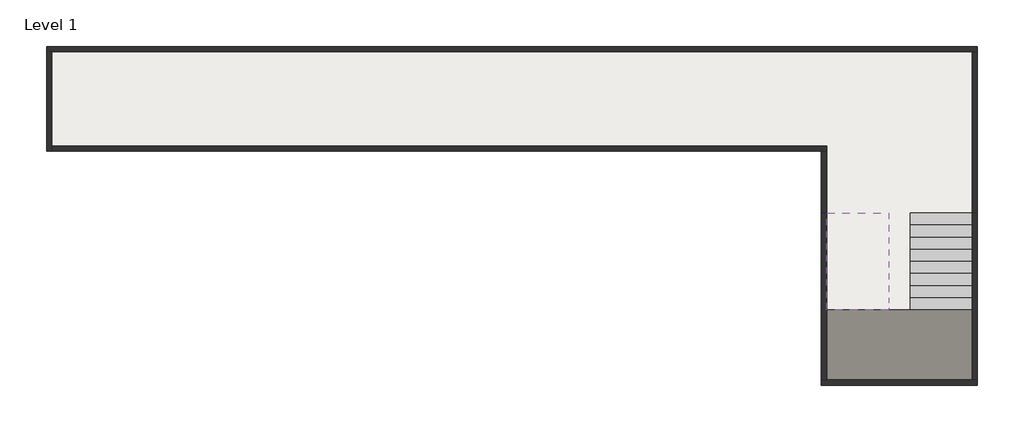
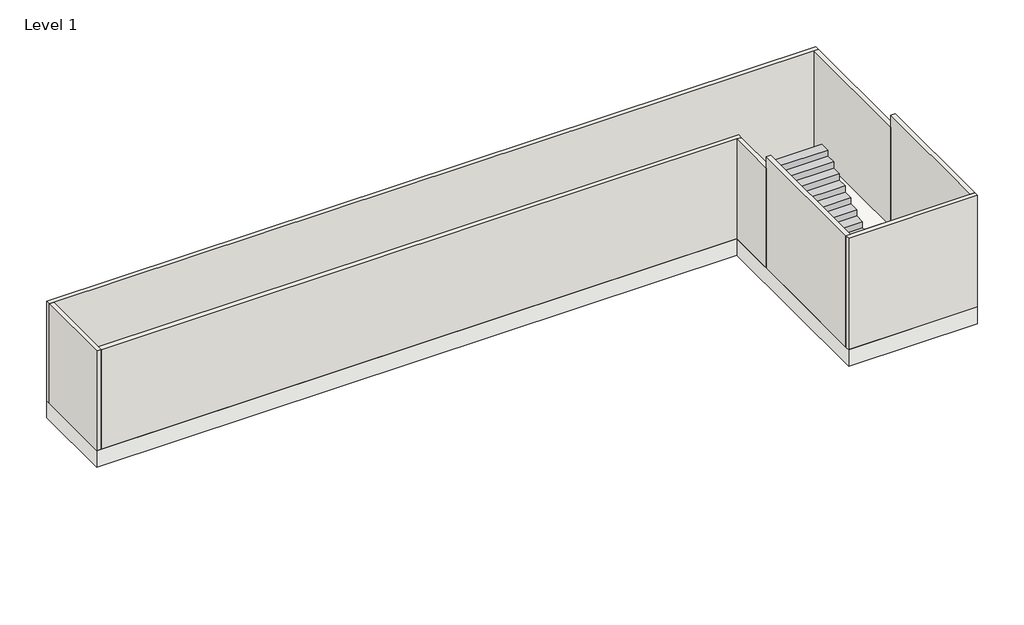
# One storey: 8 walls, 2 slabs, 2 stair flights.
"""IFC4 building model written with IfcOpenShell, lengths in millimetres."""

from ifc_helpers import new_model, si_unit, frame, origin, origin_with_axes, place, context, project, spatial, polyline, outline, extrude, faceted_brep, element, save

model = new_model("IFC4")

# Units and contexts
model_context = context("Model", 3, world=origin())
ifc_project = project(units=[si_unit("LENGTHUNIT", "METRE", prefix="MILLI")], contexts=[model_context])

# Site, building, storey
site = spatial("IfcSite", under=ifc_project)
building = spatial("IfcBuilding", under=site)
storey = spatial("IfcBuildingStorey", under=building, Name="Level 1", Elevation=0.0)

# Slabs
placement = place(None, origin())
element("IfcSlab", 1, at=placement, inside=storey, context=model_context, shape_type="SweptSolid", body=[
    extrude(outline(polyline([(861.159601, 6454.4843458), (861.159601, 8404.4843458), (18161.159601, 8404.4843458), (18161.159601, 2104.4843458), (15261.159601, 2104.4843458), (15261.159601, 6454.4843458), (861.159601, 6454.4843458)])), frame((0.0, 0.0, -400.0), z_axis=(0.0, 0.0, 1.0), x_axis=(1.0, 0.0, 0.0)), (0.0, 0.0, 1.0), 400.0),
])
element("IfcSlab", 2, at=placement, inside=storey, context=model_context, shape_type="Brep", body=[
    faceted_brep([(18061.159601, 3504.4843458, 1325.0), (16911.159601, 3504.4843458, 1325.0), (16511.159601, 3504.4843458, 1325.0), (15361.159601, 3504.4843458, 1325.0), (15361.159601, 2204.4843458, 1325.0), (18061.159601, 2204.4843458, 1325.0), (18061.159601, 3242.2231186, 1325.0), (18061.159601, 3504.4843458, 1177.7777778), (18061.159601, 3504.4843458, 1028.3969748), (16911.159601, 3504.4843458, 1028.3969748), (16911.159601, 3504.4843458, 1177.7777778), (16911.159601, 3504.4843458, 1200.0), (16511.159601, 3504.4843458, 1200.0), (15361.159601, 3504.4843458, 1200.0), (15361.159601, 2204.4843458, 1200.0), (18061.159601, 2204.4843458, 1200.0), (18061.159601, 3242.2231186, 1200.0), (16911.159601, 3242.2231186, 1200.0)], [[[0, 1, 2, 3, 4, 5, 6]], [[1, 0, 7, 8, 9, 10, 11]], [[2, 1, 11, 12]], [[3, 2, 12, 13]], [[4, 3, 13, 14]], [[5, 4, 14, 15]], [[8, 7, 0, 6, 5, 15, 16]], [[17, 16, 15, 14, 13, 12, 11]], [[16, 17, 9, 8]], [[17, 11, 10, 9]]]),
])

# Stair flights
element("IfcStairFlight", 3, at=placement, inside=storey, context=model_context, shape_type="Brep", body=[
    faceted_brep([(18061.159601, 5079.4843458, 147.2222222), (18061.159601, 5304.4843458, 147.2222222), (16911.159601, 5304.4843458, 147.2222222), (16911.159601, 5079.4843458, 147.2222222), (18061.159601, 5079.4843458, 0.0), (18061.159601, 5304.4843458, 0.0), (16911.159601, 5304.4843458, 0.0), (16911.159601, 5079.4843458, 0.0), (18061.159601, 4854.4843458, 294.4444444), (18061.159601, 5079.4843458, 294.4444444), (16911.159601, 5079.4843458, 294.4444444), (16911.159601, 4854.4843458, 294.4444444), (18061.159601, 4854.4843458, 145.0636415), (18061.159601, 5076.1853828, 0.0), (16911.159601, 5076.1853828, 0.0), (16911.159601, 4854.4843458, 145.0636415), (18061.159601, 4629.4843458, 441.6666667), (18061.159601, 4854.4843458, 441.6666667), (16911.159601, 4854.4843458, 441.6666667), (16911.159601, 4629.4843458, 441.6666667), (18061.159601, 4629.4843458, 292.2858637), (16911.159601, 4629.4843458, 292.2858637), (18061.159601, 4404.4843458, 588.8888889), (18061.159601, 4629.4843458, 588.8888889), (16911.159601, 4629.4843458, 588.8888889), (16911.159601, 4404.4843458, 588.8888889), (18061.159601, 4404.4843458, 439.5080859), (16911.159601, 4404.4843458, 439.5080859), (18061.159601, 4179.4843458, 736.1111111), (18061.159601, 4404.4843458, 736.1111111), (16911.159601, 4404.4843458, 736.1111111), (16911.159601, 4179.4843458, 736.1111111), (18061.159601, 4179.4843458, 586.7303081), (16911.159601, 4179.4843458, 586.7303081), (18061.159601, 3954.4843458, 883.3333333), (18061.159601, 4179.4843458, 883.3333333), (16911.159601, 4179.4843458, 883.3333333), (16911.159601, 3954.4843458, 883.3333333), (18061.159601, 3954.4843458, 733.9525304), (16911.159601, 3954.4843458, 733.9525304), (18061.159601, 3729.4843458, 1030.5555556), (18061.159601, 3954.4843458, 1030.5555556), (16911.159601, 3954.4843458, 1030.5555556), (16911.159601, 3729.4843458, 1030.5555556), (18061.159601, 3729.4843458, 881.1747526), (16911.159601, 3729.4843458, 881.1747526), (18061.159601, 3504.4843458, 1177.7777778), (18061.159601, 3729.4843458, 1177.7777778), (16911.159601, 3729.4843458, 1177.7777778), (16911.159601, 3504.4843458, 1177.7777778), (18061.159601, 3504.4843458, 1028.3969748), (16911.159601, 3504.4843458, 1028.3969748)], [[[0, 1, 2, 3]], [[1, 0, 4, 5]], [[2, 1, 5, 6]], [[3, 2, 6, 7]], [[8, 9, 10, 11]], [[4, 0, 9, 8, 12, 13]], [[0, 3, 10, 9]], [[3, 7, 14, 15, 11, 10]], [[16, 17, 18, 19]], [[17, 16, 20, 12, 8]], [[8, 11, 18, 17]], [[19, 18, 11, 15, 21]], [[22, 23, 24, 25]], [[23, 22, 26, 20, 16]], [[16, 19, 24, 23]], [[25, 24, 19, 21, 27]], [[28, 29, 30, 31]], [[29, 28, 32, 26, 22]], [[22, 25, 30, 29]], [[31, 30, 25, 27, 33]], [[34, 35, 36, 37]], [[35, 34, 38, 32, 28]], [[28, 31, 36, 35]], [[37, 36, 31, 33, 39]], [[40, 41, 42, 43]], [[41, 40, 44, 38, 34]], [[34, 37, 42, 41]], [[43, 42, 37, 39, 45]], [[46, 47, 48, 49]], [[47, 46, 50, 44, 40]], [[40, 43, 48, 47]], [[49, 48, 43, 45, 51]], [[46, 49, 51, 50]], [[5, 4, 13, 14, 7, 6]], [[14, 13, 12, 20, 26, 32, 38, 44, 50, 51, 45, 39, 33, 27, 21, 15]]]),
])
element("IfcStairFlight", 4, at=placement, inside=storey, context=model_context, shape_type="Brep", body=[
    faceted_brep([(15361.159601, 3504.4843458, 1472.2222222), (16511.159601, 3504.4843458, 1472.2222222), (16511.159601, 3541.745573, 1472.2222222), (16511.159601, 3729.4843458, 1472.2222222), (15361.159601, 3729.4843458, 1472.2222222), (15361.159601, 3541.745573, 1472.2222222), (15361.159601, 3729.4843458, 1322.8414193), (15361.159601, 3541.745573, 1200.0), (15361.159601, 3504.4843458, 1200.0), (15361.159601, 3504.4843458, 1325.0), (16511.159601, 3504.4843458, 1200.0), (16511.159601, 3541.745573, 1200.0), (16511.159601, 3729.4843458, 1322.8414193), (15361.159601, 3954.4843458, 1619.4444444), (15361.159601, 3729.4843458, 1619.4444444), (16511.159601, 3729.4843458, 1619.4444444), (16511.159601, 3954.4843458, 1619.4444444), (15361.159601, 3954.4843458, 1470.0636415), (16511.159601, 3954.4843458, 1470.0636415), (15361.159601, 4179.4843458, 1766.6666667), (15361.159601, 3954.4843458, 1766.6666667), (16511.159601, 3954.4843458, 1766.6666667), (16511.159601, 4179.4843458, 1766.6666667), (15361.159601, 4179.4843458, 1617.2858637), (16511.159601, 4179.4843458, 1617.2858637), (15361.159601, 4404.4843458, 1913.8888889), (15361.159601, 4179.4843458, 1913.8888889), (16511.159601, 4179.4843458, 1913.8888889), (16511.159601, 4404.4843458, 1913.8888889), (15361.159601, 4404.4843458, 1764.5080859), (16511.159601, 4404.4843458, 1764.5080859), (15361.159601, 4629.4843458, 2061.1111111), (15361.159601, 4404.4843458, 2061.1111111), (16511.159601, 4404.4843458, 2061.1111111), (16511.159601, 4629.4843458, 2061.1111111), (15361.159601, 4629.4843458, 1911.7303081), (16511.159601, 4629.4843458, 1911.7303081), (15361.159601, 4854.4843458, 2208.3333333), (15361.159601, 4629.4843458, 2208.3333333), (16511.159601, 4629.4843458, 2208.3333333), (16511.159601, 4854.4843458, 2208.3333333), (15361.159601, 4854.4843458, 2058.9525304), (16511.159601, 4854.4843458, 2058.9525304), (15361.159601, 5079.4843458, 2355.5555556), (15361.159601, 4854.4843458, 2355.5555556), (16511.159601, 4854.4843458, 2355.5555556), (16511.159601, 5079.4843458, 2355.5555556), (15361.159601, 5079.4843458, 2206.1747526), (16511.159601, 5079.4843458, 2206.1747526), (15361.159601, 5304.4843458, 2502.7777778), (15361.159601, 5079.4843458, 2502.7777778), (16511.159601, 5079.4843458, 2502.7777778), (16511.159601, 5304.4843458, 2502.7777778), (15361.159601, 5304.4843458, 2353.3969748), (16511.159601, 5304.4843458, 2353.3969748)], [[[0, 1, 2, 3, 4, 5]], [[4, 6, 7, 8, 9, 0, 5]], [[1, 0, 9, 8, 10]], [[1, 10, 11, 12, 3, 2]], [[13, 14, 15, 16]], [[14, 13, 17, 6, 4]], [[15, 14, 4, 3]], [[16, 15, 3, 12, 18]], [[19, 20, 21, 22]], [[20, 19, 23, 17, 13]], [[21, 20, 13, 16]], [[22, 21, 16, 18, 24]], [[25, 26, 27, 28]], [[26, 25, 29, 23, 19]], [[27, 26, 19, 22]], [[28, 27, 22, 24, 30]], [[31, 32, 33, 34]], [[32, 31, 35, 29, 25]], [[33, 32, 25, 28]], [[34, 33, 28, 30, 36]], [[37, 38, 39, 40]], [[38, 37, 41, 35, 31]], [[39, 38, 31, 34]], [[40, 39, 34, 36, 42]], [[43, 44, 45, 46]], [[44, 43, 47, 41, 37]], [[45, 44, 37, 40]], [[46, 45, 40, 42, 48]], [[49, 50, 51, 52]], [[50, 49, 53, 47, 43]], [[51, 50, 43, 46]], [[52, 51, 46, 48, 54]], [[49, 52, 54, 53]], [[11, 7, 6, 17, 23, 29, 35, 41, 47, 53, 54, 48, 42, 36, 30, 24, 18, 12]], [[7, 11, 10, 8]]]),
])

# Walls
element("IfcWall", 5, at=placement, inside=storey, context=model_context, shape_type="Brep", body=[
    faceted_brep([(18161.159601, 8404.4843458, 0.0), (861.159601, 8404.4843458, 0.0), (861.159601, 8404.4843458, 2370.0), (18161.159601, 8404.4843458, 2370.0), (18161.159601, 8304.4843458, 0.0), (18161.159601, 8304.4843458, 2370.0), (18061.159601, 8304.4843458, 2370.0), (961.159601, 8304.4843458, 2370.0), (861.159601, 8304.4843458, 2370.0), (861.159601, 8304.4843458, 0.0), (961.159601, 8304.4843458, 0.0), (18061.159601, 8304.4843458, 0.0)], [[[0, 1, 2, 3]], [[4, 5, 6, 7, 8, 9, 10, 11]], [[1, 0, 4, 11, 10, 9]], [[3, 2, 8, 7, 6, 5]], [[2, 1, 9, 8]], [[0, 3, 5, 4]]]),
])
element("IfcWall", 6, at=placement, inside=storey, context=model_context, shape_type="Brep", body=[
    faceted_brep([(861.159601, 8304.4843458, 0.0), (861.159601, 6454.4843458, 0.0), (861.159601, 6454.4843458, 2370.0), (861.159601, 8304.4843458, 2370.0), (961.159601, 8304.4843458, 0.0), (961.159601, 8304.4843458, 2370.0), (961.159601, 6554.4843458, 2370.0), (961.159601, 6454.4843458, 2370.0), (961.159601, 6454.4843458, 0.0), (961.159601, 6554.4843458, 0.0)], [[[0, 1, 2, 3]], [[4, 5, 6, 7, 8, 9]], [[1, 0, 4, 9, 8]], [[3, 2, 7, 6, 5]], [[0, 3, 5, 4]], [[2, 1, 8, 7]]]),
])
element("IfcWall", 7, at=placement, inside=storey, context=model_context, shape_type="Brep", body=[
    faceted_brep([(961.159601, 6454.4843458, 0.0), (15261.159601, 6454.4843458, 0.0), (15361.159601, 6454.4843458, 0.0), (15361.159601, 6454.4843458, 2370.0), (15261.159601, 6454.4843458, 2370.0), (961.159601, 6454.4843458, 2370.0), (961.159601, 6554.4843458, 0.0), (961.159601, 6554.4843458, 2370.0), (15361.159601, 6554.4843458, 2370.0), (15361.159601, 6554.4843458, 0.0)], [[[0, 1, 2, 3, 4, 5]], [[6, 7, 8, 9]], [[2, 1, 0, 6, 9]], [[5, 4, 3, 8, 7]], [[0, 5, 7, 6]], [[3, 2, 9, 8]]]),
])
element("IfcWall", 8, at=placement, inside=storey, context=model_context, shape_type="SweptSolid", body=[
    extrude(outline(polyline([(15261.159601, 5304.4843458), (15261.159601, 6454.4843458), (15361.159601, 6454.4843458), (15361.159601, 5304.4843458), (15261.159601, 5304.4843458)])), origin_with_axes(), (0.0, 0.0, 1.0), 2370.0),
])
element("IfcWall", 9, at=placement, inside=storey, context=model_context, shape_type="Brep", body=[
    faceted_brep([(15261.159601, 2104.4843458, 0.0), (18161.159601, 2104.4843458, 0.0), (18161.159601, 2104.4843458, 2650.0), (15261.159601, 2104.4843458, 2650.0), (15261.159601, 2204.4843458, 0.0), (15261.159601, 2204.4843458, 2650.0), (15361.159601, 2204.4843458, 2650.0), (18061.159601, 2204.4843458, 2650.0), (18161.159601, 2204.4843458, 2650.0), (18161.159601, 2204.4843458, 0.0), (18061.159601, 2204.4843458, 0.0), (15361.159601, 2204.4843458, 0.0)], [[[0, 1, 2, 3]], [[4, 5, 6, 7, 8, 9, 10, 11]], [[1, 0, 4, 11, 10, 9]], [[3, 2, 8, 7, 6, 5]], [[0, 3, 5, 4]], [[2, 1, 9, 8]]]),
])
element("IfcWall", 10, at=placement, inside=storey, context=model_context, shape_type="SweptSolid", body=[
    extrude(outline(polyline([(18161.159601, 8304.4843458), (18161.159601, 5304.4843458), (18061.159601, 5304.4843458), (18061.159601, 8304.4843458), (18161.159601, 8304.4843458)])), origin_with_axes(), (0.0, 0.0, 1.0), 2370.0),
])
element("IfcWall", 11, at=placement, inside=storey, context=model_context, shape_type="Brep", body=[
    faceted_brep([(15261.159601, 5304.4843458, 0.0), (15261.159601, 2204.4843458, 0.0), (15261.159601, 2204.4843458, 2650.0), (15261.159601, 5304.4843458, 2650.0), (15261.159601, 5304.4843458, 2370.0), (15361.159601, 5304.4843458, 0.0), (15361.159601, 5304.4843458, 2370.0), (15361.159601, 5304.4843458, 2650.0), (15361.159601, 2204.4843458, 2650.0), (15361.159601, 2204.4843458, 0.0)], [[[0, 1, 2, 3, 4]], [[5, 6, 7, 8, 9]], [[1, 0, 5, 9]], [[3, 2, 8, 7]], [[0, 4, 3, 7, 6, 5]], [[2, 1, 9, 8]]]),
])
element("IfcWall", 12, at=placement, inside=storey, context=model_context, shape_type="Brep", body=[
    faceted_brep([(18061.159601, 5304.4843458, 0.0), (18061.159601, 2204.4843458, 0.0), (18061.159601, 2204.4843458, 2650.0), (18061.159601, 5304.4843458, 2650.0), (18061.159601, 5304.4843458, 2370.0), (18161.159601, 5304.4843458, 0.0), (18161.159601, 5304.4843458, 2370.0), (18161.159601, 5304.4843458, 2650.0), (18161.159601, 2204.4843458, 2650.0), (18161.159601, 2204.4843458, 0.0)], [[[0, 1, 2, 3, 4]], [[5, 6, 7, 8, 9]], [[1, 0, 5, 9]], [[3, 2, 8, 7]], [[0, 4, 3, 7, 6, 5]], [[2, 1, 9, 8]]]),
])

save(model, "model.ifc")
